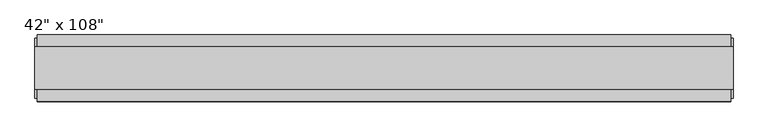
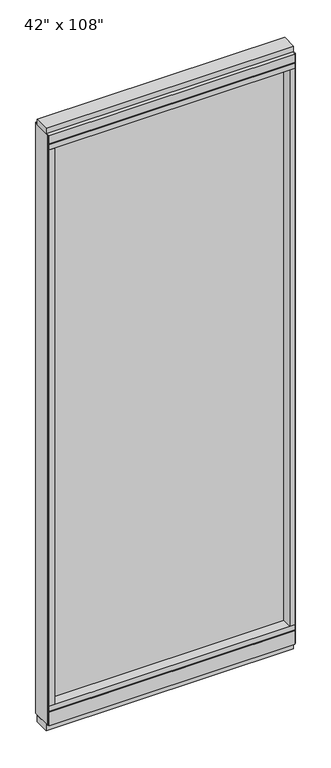
"""IFC4 building model written with IfcOpenShell, lengths in millimetres: furniture geometry."""

from ifc_helpers import new_model, si_unit, frame, origin, origin_with_axes, place, context, project, spatial, polyline, outline, extrude, source, transform, mapped, element, save


def furniture_cbfd147d(model_context):
    return source(origin(), model_context, "Body", "SweptSolid", [
        extrude(outline(polyline([(447.2014771, -9.5977216), (-567.2745229, -9.5977216), (-567.2745229, 0.5622784), (447.2014771, 0.5622784), (447.2014771, -9.5977216)])), frame((0.0, 0.0, 120.523), z_axis=(0.0, 0.0, 1.0), x_axis=(1.0, 0.0, 0.0)), (0.0, 0.0, 1.0), 2533.777),
        extrude(outline(polyline([(-55.3177216, 93.345), (-50.3647216, 93.345), (-50.3647216, 98.298), (41.3292784, 98.298), (41.3292784, 93.345), (46.2822784, 93.345), (46.2822784, 31.75), (-55.3177216, 31.75), (-55.3177216, 93.345)])), frame((-589.4995229, 0.0, 0.0), z_axis=(1.0, 0.0, 0.0), x_axis=(0.0, 1.0, 0.0)), (0.0, 0.0, 1.0), 1058.926),
        extrude(outline(polyline([(-589.4995229, -55.3177216), (-589.4995229, 46.2822784), (469.4264771, 46.2822784), (469.4264771, -55.3177216), (-589.4995229, -55.3177216)])), frame((0.0, 0.0, 98.298), z_axis=(0.0, 0.0, 1.0), x_axis=(1.0, 0.0, 0.0)), (0.0, 0.0, 1.0), 22.225),
        extrude(outline(polyline([(473.3634771, 27.9942784), (473.3634771, -37.0297216), (-593.4365229, -37.0297216), (-593.4365229, 27.9942784), (473.3634771, 27.9942784)])), origin_with_axes(), (0.0, 0.0, 1.0), 31.75),
        extrude(outline(polyline([(-593.4365229, -37.0297216), (-593.4365229, 27.9942784), (473.3634771, 27.9942784), (473.3634771, -37.0297216), (-593.4365229, -37.0297216)])), frame((0.0, 0.0, 2717.8), z_axis=(0.0, 0.0, 1.0), x_axis=(1.0, 0.0, 0.0)), (0.0, 0.0, 1.0), 25.4),
        extrude(outline(polyline([(-55.3177216, 2681.478), (-55.3177216, 2717.8), (46.2822784, 2717.8), (46.2822784, 2681.478), (41.3292784, 2681.478), (41.3292784, 2676.525), (-50.3647216, 2676.525), (-50.3647216, 2681.478), (-55.3177216, 2681.478)])), frame((-589.4995229, 0.0, 0.0), z_axis=(1.0, 0.0, 0.0), x_axis=(0.0, 1.0, 0.0)), (0.0, 0.0, 1.0), 1058.926),
        extrude(outline(polyline([(469.4264771, 46.2822784), (469.4264771, -55.3177216), (-589.4995229, -55.3177216), (-589.4995229, 46.2822784), (469.4264771, 46.2822784)])), frame((0.0, 0.0, 2654.3), z_axis=(0.0, 0.0, 1.0), x_axis=(1.0, 0.0, 0.0)), (0.0, 0.0, 1.0), 22.225),
        extrude(outline(polyline([(447.2014771, -55.3177216), (447.2014771, 46.2822784), (469.4264771, 46.2822784), (469.4264771, -55.3177216), (447.2014771, -55.3177216)])), frame((0.0, 0.0, 120.523), z_axis=(0.0, 0.0, 1.0), x_axis=(1.0, 0.0, 0.0)), (0.0, 0.0, 1.0), 2533.777),
        extrude(outline(polyline([(-567.2745229, -55.3177216), (-589.4995229, -55.3177216), (-589.4995229, 46.2822784), (-567.2745229, 46.2822784), (-567.2745229, -55.3177216)])), frame((0.0, 0.0, 120.523), z_axis=(0.0, 0.0, 1.0), x_axis=(1.0, 0.0, 0.0)), (0.0, 0.0, 1.0), 2533.777),
        extrude(outline(polyline([(473.3634771, -50.3647216), (469.4264771, -50.3647216), (469.4264771, 41.3292784), (473.3634771, 41.3292784), (473.3634771, -50.3647216)])), frame((0.0, 0.0, 31.75), z_axis=(0.0, 0.0, 1.0), x_axis=(1.0, 0.0, 0.0)), (0.0, 0.0, 1.0), 2686.05),
        extrude(outline(polyline([(-593.4365229, -50.3647216), (-593.4365229, 41.3292784), (-589.4995229, 41.3292784), (-589.4995229, -50.3647216), (-593.4365229, -50.3647216)])), frame((0.0, 0.0, 31.75), z_axis=(0.0, 0.0, 1.0), x_axis=(1.0, 0.0, 0.0)), (0.0, 0.0, 1.0), 2686.05),
    ])


if __name__ == "__main__":
    model = new_model("IFC4")
    model_context = context("Model", 3, world=origin())
    ifc_project = project(units=[si_unit("LENGTHUNIT", "METRE", prefix="MILLI")], contexts=[model_context])
    site = spatial("IfcSite", under=ifc_project)
    building = spatial("IfcBuilding", under=site)
    placement = place(None, origin())
    furniture_shape = furniture_cbfd147d(model_context)
    element("IfcFurniture", 1, ObjectType="42\" x 108\"", at=placement, inside=building, context=model_context, shape_type="MappedRepresentation", body=[
        mapped(furniture_shape, transform((0.0, 0.0, 0.0), x_axis=(1.0, 0.0, 0.0), y_axis=(0.0, 1.0, 0.0), z_axis=(0.0, 0.0, 1.0))),
    ])
    save(model, "model.ifc")
